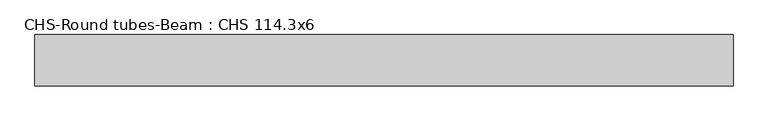
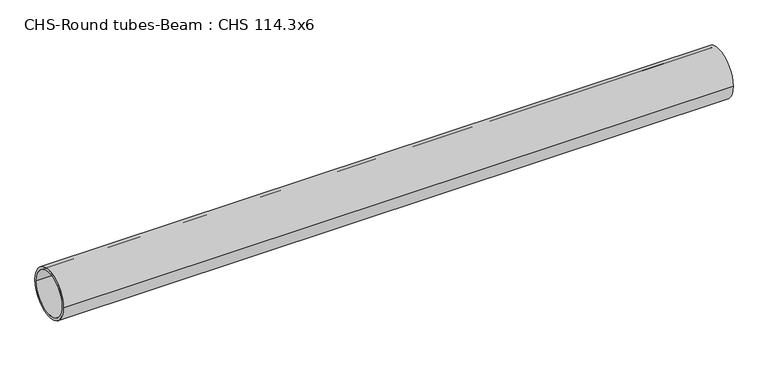
"""IFC4 building model written with IfcOpenShell, lengths in millimetres: beam geometry, CHS-Round tubes-Beam : CHS 114.3x6."""

from ifc_helpers import new_model, si_unit, point, frame, origin, origin_2d, place, context, project, spatial, circle_curve, trimmed, segment, composite_curve, outline, extrude, source, transform, mapped, element, save


def chs_round_tubes_beam_chs_114_3x6_287bb541(model_context):
    return source(origin(), model_context, "Body", "SweptSolid", [
        extrude(outline(composite_curve([segment(trimmed(circle_curve(origin_2d(), 57.15), [point((57.15, 0.0))], [point((-57.15, 0.0))], False, "CARTESIAN"), True, "CONTINUOUS"), segment(trimmed(circle_curve(origin_2d(), 57.15), [point((-57.15, 0.0))], [point((57.15, 0.0))], False, "CARTESIAN"), True, "CONTINUOUS")], self_intersect=False), holes=[composite_curve([segment(trimmed(circle_curve(origin_2d(), 51.15), [point((51.15, 0.0))], [point((-51.15, 0.0))], True, "CARTESIAN"), True, "CONTINUOUS"), segment(trimmed(circle_curve(origin_2d(), 51.15), [point((-51.15, 0.0))], [point((51.15, 0.0))], True, "CARTESIAN"), True, "CONTINUOUS")], self_intersect=False)]), frame((-790.1351505, 0.0, 0.0), z_axis=(1.0, 0.0, 0.0), x_axis=(0.0, 1.0, 0.0)), (0.0, 0.0, 1.0), 1555.5764174),
    ])


if __name__ == "__main__":
    model = new_model("IFC4")
    model_context = context("Model", 3, world=origin())
    ifc_project = project(units=[si_unit("LENGTHUNIT", "METRE", prefix="MILLI")], contexts=[model_context])
    site = spatial("IfcSite", under=ifc_project)
    building = spatial("IfcBuilding", under=site)
    placement = place(None, origin())
    chs_round_tubes_beam_chs_114_3x6_shape = chs_round_tubes_beam_chs_114_3x6_287bb541(model_context)
    element("IfcBeam", 1, ObjectType="CHS-Round tubes-Beam : CHS 114.3x6", at=placement, inside=building, context=model_context, shape_type="MappedRepresentation", body=[
        mapped(chs_round_tubes_beam_chs_114_3x6_shape, transform((0.0, 0.0, 0.0), x_axis=(1.0, 0.0, 0.0), y_axis=(0.0, 1.0, 0.0), z_axis=(0.0, 0.0, 1.0))),
    ])
    save(model, "model.ifc")
